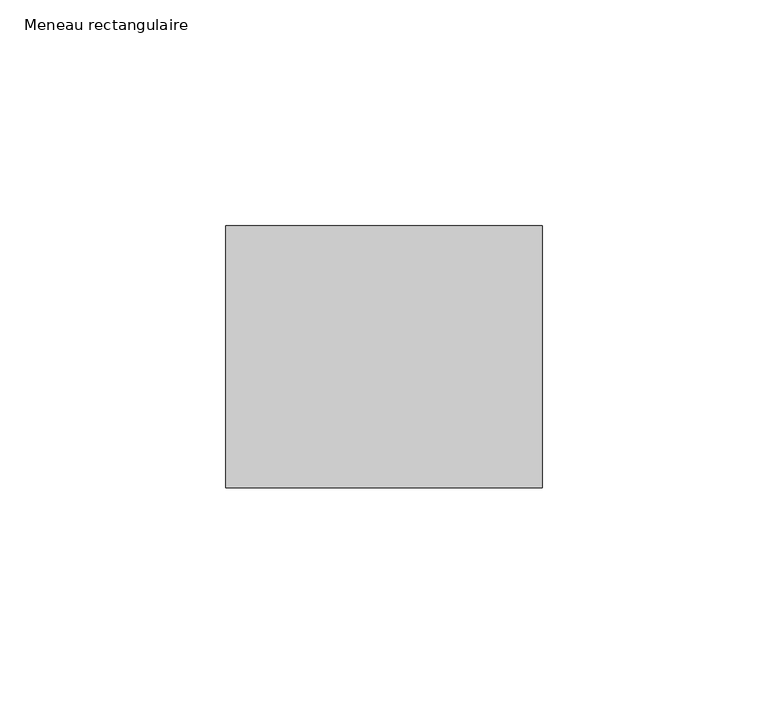
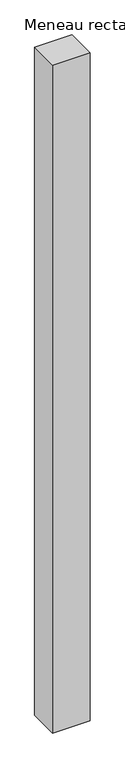
"""IFC4 building model written with IfcOpenShell, lengths in millimetres: member geometry, Meneau rectangulaire."""

from ifc_helpers import new_model, si_unit, frame, origin, place, context, project, spatial, polyline, outline, extrude, source, transform, mapped, element, save


def meneau_rectangulaire_fdf0533b(model_context):
    return source(origin(), model_context, "Body", "SweptSolid", [
        extrude(outline(polyline([(0.0, 29.0), (0.0, -29.0), (-70.0, -29.0), (-70.0, 29.0), (0.0, 29.0)])), frame((0.0, 0.0, -1320.2500002), z_axis=(0.0, 0.0, 1.0), x_axis=(1.0, 0.0, 0.0)), (0.0, 0.0, 1.0), 1320.2500002),
    ])


if __name__ == "__main__":
    model = new_model("IFC4")
    model_context = context("Model", 3, world=origin())
    ifc_project = project(units=[si_unit("LENGTHUNIT", "METRE", prefix="MILLI")], contexts=[model_context])
    site = spatial("IfcSite", under=ifc_project)
    building = spatial("IfcBuilding", under=site)
    placement = place(None, origin())
    meneau_rectangulaire_shape = meneau_rectangulaire_fdf0533b(model_context)
    element("IfcMember", 1, ObjectType="Meneau rectangulaire", at=placement, inside=building, context=model_context, shape_type="MappedRepresentation", body=[
        mapped(meneau_rectangulaire_shape, transform((0.0, 0.0, 0.0), x_axis=(1.0, 0.0, 0.0), y_axis=(0.0, 1.0, 0.0), z_axis=(0.0, 0.0, 1.0))),
    ])
    save(model, "model.ifc")
